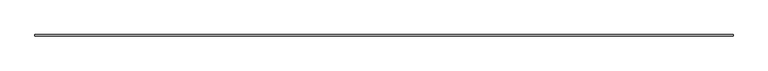
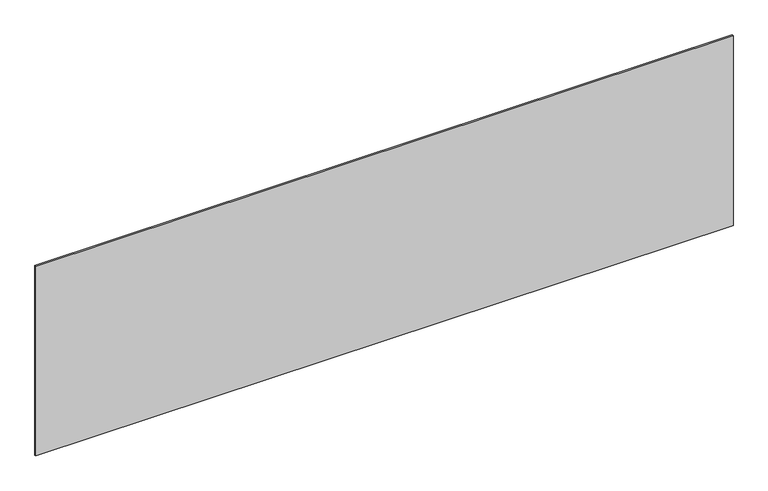
"""IFC4 building model written with IfcOpenShell, lengths in millimetres: plate geometry."""

from ifc_helpers import new_model, si_unit, origin, origin_with_axes, place, context, project, spatial, polyline, outline, extrude, source, transform, mapped, element, save


def plate_030c0c4a(model_context):
    return source(origin(), model_context, "Body", "SweptSolid", [
        extrude(outline(polyline([(2206.6666667, -5.0), (-2206.6666667, -5.0), (-2206.6666667, 5.0), (2206.6666667, 5.0), (2206.6666667, -5.0)])), origin_with_axes(), (0.0, 0.0, 1.0), 1269.4397071),
    ])


if __name__ == "__main__":
    model = new_model("IFC4")
    model_context = context("Model", 3, world=origin())
    ifc_project = project(units=[si_unit("LENGTHUNIT", "METRE", prefix="MILLI")], contexts=[model_context])
    site = spatial("IfcSite", under=ifc_project)
    building = spatial("IfcBuilding", under=site)
    placement = place(None, origin())
    plate_shape = plate_030c0c4a(model_context)
    element("IfcPlate", 1, at=placement, inside=building, context=model_context, shape_type="MappedRepresentation", body=[
        mapped(plate_shape, transform((0.0, 0.0, 0.0), x_axis=(1.0, 0.0, 0.0), y_axis=(0.0, 1.0, 0.0), z_axis=(0.0, 0.0, 1.0))),
    ])
    save(model, "model.ifc")
